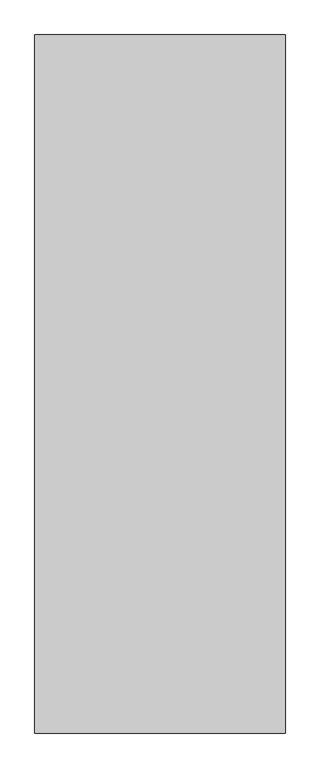
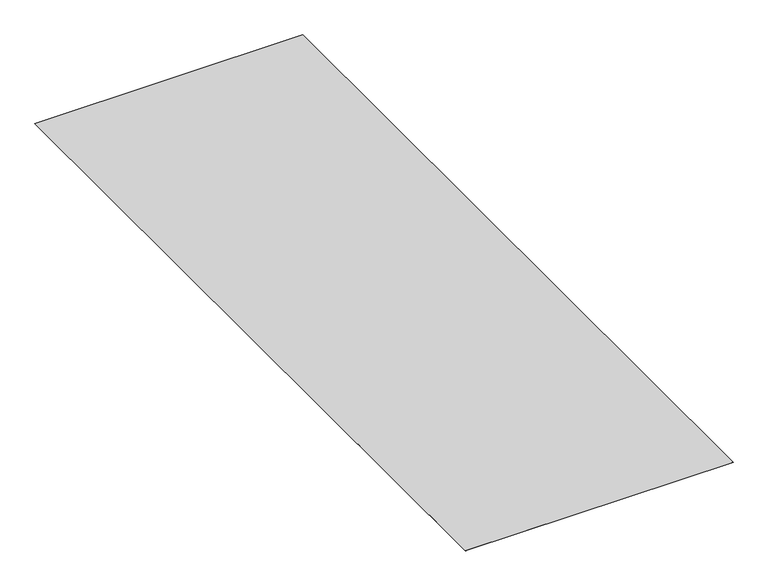
"""IFC4 building model written with IfcOpenShell, lengths in millimetres: proxy geometry."""

from ifc_helpers import new_model, si_unit, origin, origin_with_axes, place, context, project, spatial, polyline, outline, extrude, source, transform, mapped, element, save


def specialty_equipment_bc4dcd01(model_context):
    return source(origin(), model_context, "Body", "SweptSolid", [
        extrude(outline(polyline([(2133.6, -10363.2), (-2133.6, -10363.2), (-2133.6, 1524.0), (2133.6, 1524.0), (2133.6, -10363.2)])), origin_with_axes(), (0.0, 0.0, 1.0), 0.8128),
    ])


if __name__ == "__main__":
    model = new_model("IFC4")
    model_context = context("Model", 3, world=origin())
    ifc_project = project(units=[si_unit("LENGTHUNIT", "METRE", prefix="MILLI")], contexts=[model_context])
    site = spatial("IfcSite", under=ifc_project)
    building = spatial("IfcBuilding", under=site)
    placement = place(None, origin())
    specialty_equipment_shape = specialty_equipment_bc4dcd01(model_context)
    element("IfcBuildingElementProxy", 1, Name="Specialty Equipment", at=placement, inside=building, context=model_context, shape_type="MappedRepresentation", body=[
        mapped(specialty_equipment_shape, transform((0.0, 0.0, 0.0), x_axis=(1.0, 0.0, 0.0), y_axis=(0.0, 1.0, 0.0), z_axis=(0.0, 0.0, 1.0))),
    ])
    save(model, "model.ifc")
